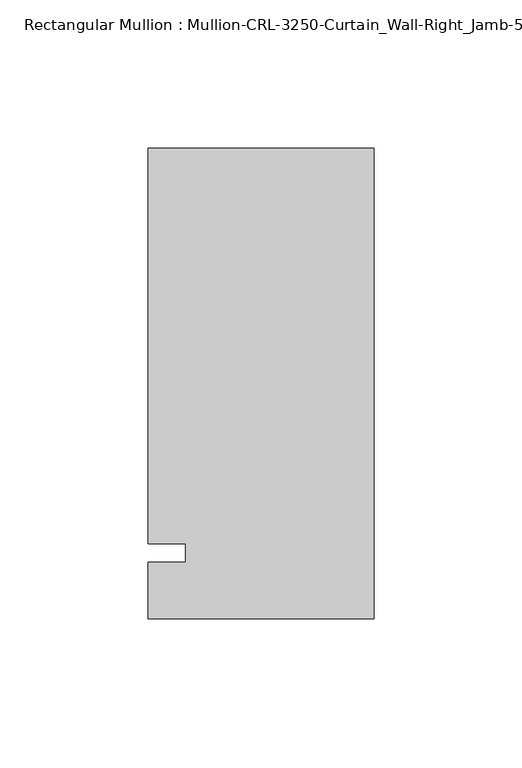
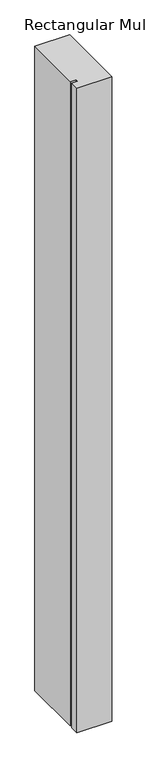
"""IFC4 building model written with IfcOpenShell, lengths in millimetres: member geometry."""

from ifc_helpers import new_model, si_unit, frame, origin, place, context, project, spatial, polyline, outline, extrude, source, transform, mapped, element, save


def member_b4eb8f2b(model_context):
    return source(origin(), model_context, "Body", "SweptSolid", [
        extrude(outline(polyline([(0.0, -22.2254168), (-76.199997, -22.2254168), (-76.199997, -3.175), (-63.499997, -3.175), (-63.499997, 3.175), (-76.199997, 3.175), (-76.199997, 136.5240673), (0.0, 136.5240673), (0.0, -22.2254168)])), frame((0.0, 0.0, -1485.9), z_axis=(0.0, 0.0, 1.0), x_axis=(1.0, 0.0, 0.0)), (0.0, 0.0, 1.0), 1485.9),
    ])


if __name__ == "__main__":
    model = new_model("IFC4")
    model_context = context("Model", 3, world=origin())
    ifc_project = project(units=[si_unit("LENGTHUNIT", "METRE", prefix="MILLI")], contexts=[model_context])
    site = spatial("IfcSite", under=ifc_project)
    building = spatial("IfcBuilding", under=site)
    placement = place(None, origin())
    member_shape = member_b4eb8f2b(model_context)
    element("IfcMember", 1, ObjectType="Rectangular Mullion : Mullion-CRL-3250-Curtain_Wall-Right_Jamb-5\"", at=placement, inside=building, context=model_context, shape_type="MappedRepresentation", body=[
        mapped(member_shape, transform((0.0, 0.0, 0.0), x_axis=(1.0, 0.0, 0.0), y_axis=(0.0, 1.0, 0.0), z_axis=(0.0, 0.0, 1.0))),
    ])
    save(model, "model.ifc")
